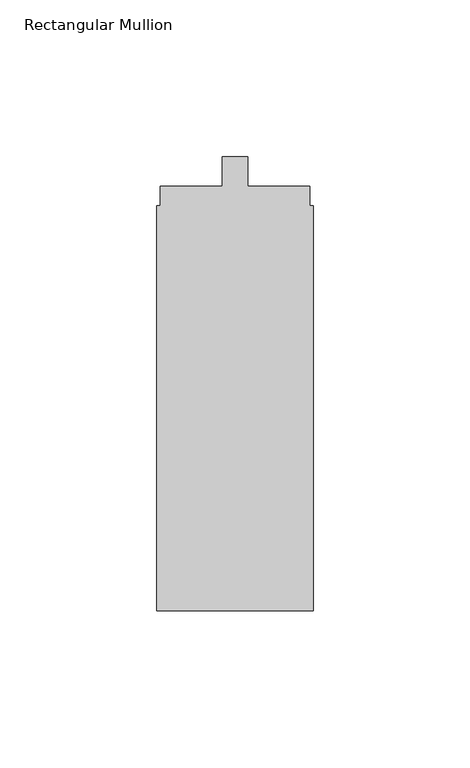
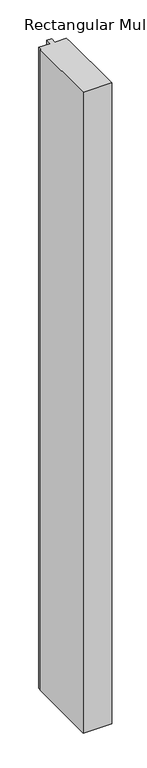
"""IFC4 building model written with IfcOpenShell, lengths in millimetres: member geometry, Rectangular Mullion."""

from ifc_helpers import new_model, si_unit, frame, origin, place, context, project, spatial, polyline, outline, extrude, source, transform, mapped, element, save


def rectangular_mullion_003c9fd5(model_context):
    return source(origin(), model_context, "Body", "SweptSolid", [
        extrude(outline(polyline([(0.0, -152.3), (-50.0, -152.3), (-50.0, -23.0), (-48.9, -23.0), (-48.9, -16.8), (-29.1, -16.8), (-29.1, -7.3), (-20.9, -7.3), (-20.9, -16.8), (-1.1782663, -16.8), (-1.1782663, -23.0), (0.0, -23.0), (0.0, -152.3)])), frame((0.0, 0.0, -1175.0), z_axis=(0.0, 0.0, 1.0), x_axis=(1.0, 0.0, 0.0)), (0.0, 0.0, 1.0), 1175.0),
    ])


if __name__ == "__main__":
    model = new_model("IFC4")
    model_context = context("Model", 3, world=origin())
    ifc_project = project(units=[si_unit("LENGTHUNIT", "METRE", prefix="MILLI")], contexts=[model_context])
    site = spatial("IfcSite", under=ifc_project)
    building = spatial("IfcBuilding", under=site)
    placement = place(None, origin())
    rectangular_mullion_shape = rectangular_mullion_003c9fd5(model_context)
    element("IfcMember", 1, ObjectType="Rectangular Mullion", at=placement, inside=building, context=model_context, shape_type="MappedRepresentation", body=[
        mapped(rectangular_mullion_shape, transform((0.0, 0.0, 0.0), x_axis=(1.0, 0.0, 0.0), y_axis=(0.0, 1.0, 0.0), z_axis=(0.0, 0.0, 1.0))),
    ])
    save(model, "model.ifc")
